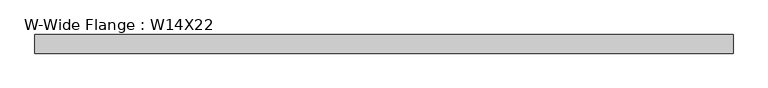
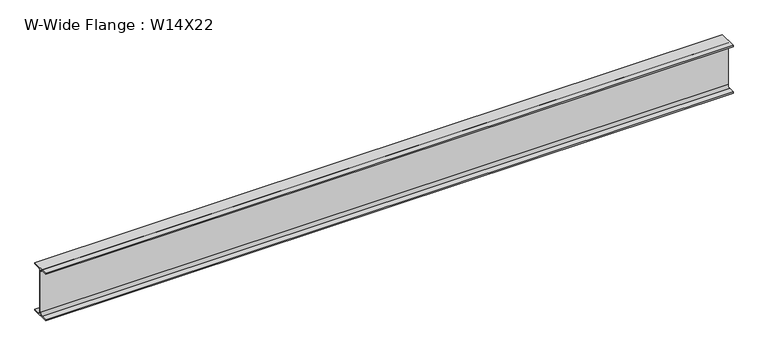
"""IFC4 building model written with IfcOpenShell, lengths in millimetres: beam geometry, W-Wide Flange : W14X22."""

from ifc_helpers import new_model, si_unit, point, frame, frame_2d, origin, place, context, project, spatial, polyline, circle_curve, trimmed, segment, composite_curve, outline, extrude, source, transform, mapped, element, save


def w_wide_flange_w14x22_996c9085(model_context):
    return source(origin(), model_context, "Body", "SweptSolid", [
        extrude(outline(composite_curve([segment(polyline([(63.5, -165.4472656), (63.5, -173.9800781), (-63.5, -173.9800781), (-63.5, -165.4472656), (-21.3816406, -165.4472656)]), True, "CONTINUOUS"), segment(trimmed(circle_curve(frame_2d((-21.3816406, -146.9925781)), 18.4546875), [point((-21.3816406, -165.4472656))], [point((-2.9269531, -146.9925781))], True, "CARTESIAN"), True, "CONTINUOUS"), segment(polyline([(-2.9269531, -146.9925781), (-2.9269531, 146.9925781)]), True, "CONTINUOUS"), segment(trimmed(circle_curve(frame_2d((-21.3816406, 146.9925781)), 18.4546875), [point((-2.9269531, 146.9925781))], [point((-21.3816406, 165.4472656))], True, "CARTESIAN"), True, "CONTINUOUS"), segment(polyline([(-21.3816406, 165.4472656), (-63.5, 165.4472656), (-63.5, 173.9800781), (63.5, 173.9800781), (63.5, 165.4472656), (21.3816406, 165.4472656)]), True, "CONTINUOUS"), segment(trimmed(circle_curve(frame_2d((21.3816406, 146.9925781)), 18.4546875), [point((21.3816406, 165.4472656))], [point((2.9269531, 146.9925781))], True, "CARTESIAN"), True, "CONTINUOUS"), segment(polyline([(2.9269531, 146.9925781), (2.9269531, -146.9925781)]), True, "CONTINUOUS"), segment(trimmed(circle_curve(frame_2d((21.3816406, -146.9925781)), 18.4546875), [point((2.9269531, -146.9925781))], [point((21.3816406, -165.4472656))], True, "CARTESIAN"), True, "CONTINUOUS"), segment(polyline([(21.3816406, -165.4472656), (63.5, -165.4472656)]), True, "CONTINUOUS")], self_intersect=False)), frame((-2374.6519531, 0.0, 0.0), z_axis=(1.0, 0.0, 0.0), x_axis=(0.0, 1.0, 0.0)), (0.0, 0.0, 1.0), 4749.3039063),
    ])


if __name__ == "__main__":
    model = new_model("IFC4")
    model_context = context("Model", 3, world=origin())
    ifc_project = project(units=[si_unit("LENGTHUNIT", "METRE", prefix="MILLI")], contexts=[model_context])
    site = spatial("IfcSite", under=ifc_project)
    building = spatial("IfcBuilding", under=site)
    placement = place(None, origin())
    w_wide_flange_w14x22_shape = w_wide_flange_w14x22_996c9085(model_context)
    element("IfcBeam", 1, ObjectType="W-Wide Flange : W14X22", at=placement, inside=building, context=model_context, shape_type="MappedRepresentation", body=[
        mapped(w_wide_flange_w14x22_shape, transform((0.0, 0.0, 0.0), x_axis=(1.0, 0.0, 0.0), y_axis=(0.0, 1.0, 0.0), z_axis=(0.0, 0.0, 1.0))),
    ])
    save(model, "model.ifc")
